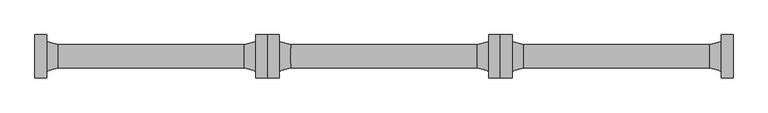
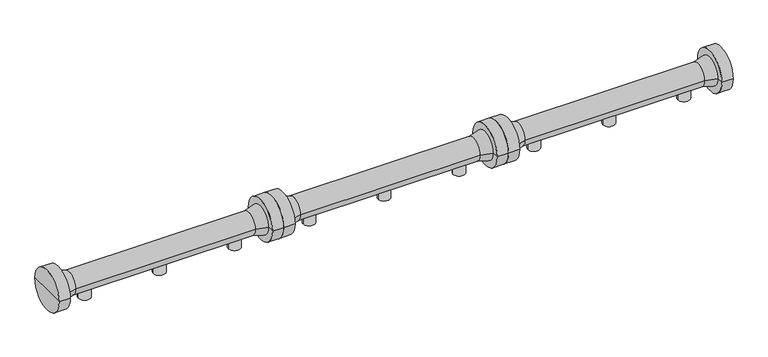
"""IFC4 building model written with IfcOpenShell, lengths in millimetres: proxy geometry."""

from ifc_helpers import new_model, si_unit, frame, origin, place, context, project, spatial, polyline, circle_curve, source, transform, mapped, element, save
from ifc_brep_helpers import plane_surface, cylinder_surface, revolved_surface, advanced_brep


def specialty_equipment_27fcf323(model_context):
    return source(origin(), model_context, "Body", "AdvancedBrep", [
        advanced_brep(
        [(3536.0, 0.0, 0.0), (3456.0, 0.0, 0.0), (3456.0, 0.0, 85.195173), (3536.0, 0.0, 85.195173), (3496.0, 0.0, 0.0), (3496.0, 0.0, 85.195173)],
        [
            (0, 1, circle_curve(frame((3496.0, 0.0, 0.0), z_axis=(0.0, 0.0, 1.0), x_axis=(-1.0, 0.0, 0.0)), 40.0)),
            (1, 2),
            (2, 3, circle_curve(frame((3496.0, 0.0, 85.195173), z_axis=(0.0, 0.0, -1.0), x_axis=(-1.0, 0.0, 0.0)), 40.0)),
            (3, 0),
            (1, 0, circle_curve(frame((3496.0, 0.0, 0.0), z_axis=(0.0, 0.0, 1.0), x_axis=(-1.0, 0.0, 0.0)), 40.0)),
            (3, 2, circle_curve(frame((3496.0, 0.0, 85.195173), z_axis=(0.0, 0.0, -1.0), x_axis=(-1.0, 0.0, 0.0)), 40.0)),
            (4, 1),
            (0, 4),
            (2, 5),
            (5, 3),
        ],
        [
            cylinder_surface(frame((3496.0, 0.0, 1119.4899158), z_axis=(0.0, 0.0, -1.0), x_axis=(-1.0, 0.0, 0.0)), 40.0),
            plane_surface(frame((3496.0, 0.0, 0.0), z_axis=(0.0, 0.0, -1.0), x_axis=(-1.0, 0.0, 0.0))),
            plane_surface(frame((3496.0, 0.0, 85.195173), z_axis=(0.0, 0.0, 1.0), x_axis=(-1.0, 0.0, 0.0))),
        ],
        [
            (0, [[1, 2, 3, 4]]),
            (0, [[5, -4, 6, -2]]),
            (1, [[7, -1, 8]]),
            (1, [[-8, -5, -7]]),
            (2, [[-3, 9, 10]]),
            (2, [[-6, -10, -9]]),
        ],
    ),
        advanced_brep(
        [(4036.0, 0.0, 0.0), (3956.0, 0.0, 0.0), (3956.0, 0.0, 85.195173), (4036.0, 0.0, 85.195173), (3996.0, 0.0, 0.0), (3996.0, 0.0, 85.195173)],
        [
            (0, 1, circle_curve(frame((3996.0, 0.0, 0.0), z_axis=(0.0, 0.0, 1.0), x_axis=(-1.0, 0.0, 0.0)), 40.0)),
            (1, 2),
            (2, 3, circle_curve(frame((3996.0, 0.0, 85.195173), z_axis=(0.0, 0.0, -1.0), x_axis=(-1.0, 0.0, 0.0)), 40.0)),
            (3, 0),
            (1, 0, circle_curve(frame((3996.0, 0.0, 0.0), z_axis=(0.0, 0.0, 1.0), x_axis=(-1.0, 0.0, 0.0)), 40.0)),
            (3, 2, circle_curve(frame((3996.0, 0.0, 85.195173), z_axis=(0.0, 0.0, -1.0), x_axis=(-1.0, 0.0, 0.0)), 40.0)),
            (4, 1),
            (0, 4),
            (2, 5),
            (5, 3),
        ],
        [
            cylinder_surface(frame((3996.0, 0.0, 1119.4899158), z_axis=(0.0, 0.0, -1.0), x_axis=(-1.0, 0.0, 0.0)), 40.0),
            plane_surface(frame((3996.0, 0.0, 0.0), z_axis=(0.0, 0.0, -1.0), x_axis=(-1.0, 0.0, 0.0))),
            plane_surface(frame((3996.0, 0.0, 85.195173), z_axis=(0.0, 0.0, 1.0), x_axis=(-1.0, 0.0, 0.0))),
        ],
        [
            (0, [[1, 2, 3, 4]]),
            (0, [[5, -4, 6, -2]]),
            (1, [[7, -1, 8]]),
            (1, [[-8, -5, -7]]),
            (2, [[-3, 9, 10]]),
            (2, [[-6, -10, -9]]),
        ],
    ),
        advanced_brep(
        [(3036.0, 0.0, 0.0), (2956.0, 0.0, 0.0), (2956.0, 0.0, 85.195173), (3036.0, 0.0, 85.195173), (2996.0, 0.0, 0.0), (2996.0, 0.0, 85.195173)],
        [
            (0, 1, circle_curve(frame((2996.0, 0.0, 0.0), z_axis=(0.0, 0.0, 1.0), x_axis=(-1.0, 0.0, 0.0)), 40.0)),
            (1, 2),
            (2, 3, circle_curve(frame((2996.0, 0.0, 85.195173), z_axis=(0.0, 0.0, -1.0), x_axis=(-1.0, 0.0, 0.0)), 40.0)),
            (3, 0),
            (1, 0, circle_curve(frame((2996.0, 0.0, 0.0), z_axis=(0.0, 0.0, 1.0), x_axis=(-1.0, 0.0, 0.0)), 40.0)),
            (3, 2, circle_curve(frame((2996.0, 0.0, 85.195173), z_axis=(0.0, 0.0, -1.0), x_axis=(-1.0, 0.0, 0.0)), 40.0)),
            (4, 1),
            (0, 4),
            (2, 5),
            (5, 3),
        ],
        [
            cylinder_surface(frame((2996.0, 0.0, 1119.4899158), z_axis=(0.0, 0.0, -1.0), x_axis=(-1.0, 0.0, 0.0)), 40.0),
            plane_surface(frame((2996.0, 0.0, 0.0), z_axis=(0.0, 0.0, -1.0), x_axis=(-1.0, 0.0, 0.0))),
            plane_surface(frame((2996.0, 0.0, 85.195173), z_axis=(0.0, 0.0, 1.0), x_axis=(-1.0, 0.0, 0.0))),
        ],
        [
            (0, [[1, 2, 3, 4]]),
            (0, [[5, -4, 6, -2]]),
            (1, [[7, -1, 8]]),
            (1, [[-8, -5, -7]]),
            (2, [[-3, 9, 10]]),
            (2, [[-6, -10, -9]]),
        ],
    ),
        advanced_brep(
        [(2747.0, 0.0, 131.853238), (2747.0, 139.6593353, 131.853238), (2747.0, -139.6593353, 131.853238), (4245.0, -139.6593353, 131.853238), (4245.0, 139.6593353, 131.853238), (4245.0, 0.0, 131.853238), (4170.0, -139.6593353, 131.853238), (4170.0, 139.6593353, 131.853238), (4170.0, -95.0, 131.853238), (4170.0, 95.0, 131.853238), (4094.8943825, -74.9718353, 131.853238), (4094.8943825, 74.9718353, 131.853238), (2897.1056175, -74.9718353, 131.853238), (2897.1056175, 74.9718353, 131.853238), (2822.0, -95.0, 131.853238), (2822.0, 95.0, 131.853238), (2822.0, -139.6593353, 131.853238), (2822.0, 139.6593353, 131.853238)],
        [
            (0, 1),
            (1, 2, circle_curve(frame((2747.0, 0.0, 131.853238), z_axis=(-1.0, 0.0, 0.0), x_axis=(0.0, 1.0, 0.0)), 139.6593353)),
            (2, 0),
            (2, 1, circle_curve(frame((2747.0, 0.0, 131.853238), z_axis=(-1.0, 0.0, 0.0), x_axis=(0.0, 1.0, 0.0)), 139.6593353)),
            (3, 4, circle_curve(frame((4245.0, 0.0, 131.853238), z_axis=(1.0, 0.0, 0.0), x_axis=(0.0, 1.0, 0.0)), 139.6593353)),
            (4, 5),
            (5, 3),
            (4, 3, circle_curve(frame((4245.0, 0.0, 131.853238), z_axis=(1.0, 0.0, 0.0), x_axis=(0.0, 1.0, 0.0)), 139.6593353)),
            (6, 7, circle_curve(frame((4170.0, 0.0, 131.853238), z_axis=(1.0, 0.0, 0.0), x_axis=(0.0, 1.0, 0.0)), 139.6593353)),
            (7, 4),
            (3, 6),
            (7, 6, circle_curve(frame((4170.0, 0.0, 131.853238), z_axis=(1.0, 0.0, 0.0), x_axis=(0.0, 1.0, 0.0)), 139.6593353)),
            (8, 9, circle_curve(frame((4170.0, 0.0, 131.853238), z_axis=(1.0, 0.0, 0.0), x_axis=(0.0, 1.0, 0.0)), 95.0)),
            (9, 7),
            (6, 8),
            (9, 8, circle_curve(frame((4170.0, 0.0, 131.853238), z_axis=(1.0, 0.0, 0.0), x_axis=(0.0, 1.0, 0.0)), 95.0)),
            (10, 11, circle_curve(frame((4094.8943825, 0.0, 131.853238), z_axis=(1.0, 0.0, 0.0), x_axis=(0.0, 1.0, 0.0)), 74.9718353)),
            (11, 9),
            (8, 10),
            (11, 10, circle_curve(frame((4094.8943825, 0.0, 131.853238), z_axis=(1.0, 0.0, 0.0), x_axis=(0.0, 1.0, 0.0)), 74.9718353)),
            (12, 13, circle_curve(frame((2897.1056175, 0.0, 131.853238), z_axis=(1.0, 0.0, 0.0), x_axis=(0.0, 1.0, 0.0)), 74.9718353)),
            (13, 11),
            (10, 12),
            (13, 12, circle_curve(frame((2897.1056175, 0.0, 131.853238), z_axis=(1.0, 0.0, 0.0), x_axis=(0.0, 1.0, 0.0)), 74.9718353)),
            (14, 15, circle_curve(frame((2822.0, 0.0, 131.853238), z_axis=(1.0, 0.0, 0.0), x_axis=(0.0, 1.0, 0.0)), 95.0)),
            (15, 13),
            (12, 14),
            (15, 14, circle_curve(frame((2822.0, 0.0, 131.853238), z_axis=(1.0, 0.0, 0.0), x_axis=(0.0, 1.0, 0.0)), 95.0)),
            (16, 17, circle_curve(frame((2822.0, 0.0, 131.853238), z_axis=(1.0, 0.0, 0.0), x_axis=(0.0, 1.0, 0.0)), 139.6593353)),
            (17, 15),
            (14, 16),
            (17, 16, circle_curve(frame((2822.0, 0.0, 131.853238), z_axis=(1.0, 0.0, 0.0), x_axis=(0.0, 1.0, 0.0)), 139.6593353)),
            (1, 17),
            (16, 2),
        ],
        [
            plane_surface(frame((2747.0, 0.0, 131.853238), z_axis=(-1.0, 0.0, 0.0), x_axis=(0.0, 1.0, 0.0))),
            plane_surface(frame((4245.0, 0.0, 131.853238), z_axis=(1.0, 0.0, 0.0), x_axis=(0.0, 1.0, 0.0))),
            cylinder_surface(frame((5270.0, 0.0, 131.853238), z_axis=(-1.0, 0.0, 0.0), x_axis=(0.0, 1.0, 0.0)), 139.6593353),
            plane_surface(frame((4170.0, 0.0, 131.853238), z_axis=(-1.0, 0.0, 0.0), x_axis=(0.0, 1.0, 0.0))),
            revolved_surface(polyline([(4170.0, 95.0, 131.853238), (4094.8943825, 74.9718353, 131.853238)]), (5270.0, 0.0, 131.853238), (-1.0, 0.0, 0.0)),
            cylinder_surface(frame((5270.0, 0.0, 131.853238), z_axis=(-1.0, 0.0, 0.0), x_axis=(0.0, 1.0, 0.0)), 74.9718353),
            revolved_surface(polyline([(2897.1056175, 74.9718353, 131.853238), (2822.0, 95.0, 131.853238)]), (5270.0, 0.0, 131.853238), (-1.0, 0.0, 0.0)),
            plane_surface(frame((2822.0, 0.0, 131.853238), z_axis=(1.0, 0.0, 0.0), x_axis=(0.0, 1.0, 0.0))),
        ],
        [
            (0, [[1, 2, 3]]),
            (0, [[-3, 4, -1]]),
            (1, [[5, 6, 7]]),
            (1, [[8, -7, -6]]),
            (2, [[9, 10, -5, 11]]),
            (2, [[12, -11, -8, -10]]),
            (3, [[13, 14, -9, 15]]),
            (3, [[16, -15, -12, -14]]),
            (4, [[17, 18, -13, 19]]),
            (4, [[20, -19, -16, -18]]),
            (5, [[21, 22, -17, 23]]),
            (5, [[24, -23, -20, -22]]),
            (6, [[25, 26, -21, 27]]),
            (6, [[28, -27, -24, -26]]),
            (7, [[29, 30, -25, 31]]),
            (7, [[32, -31, -28, -30]]),
            (2, [[-2, 33, -29, 34]]),
            (2, [[-4, -34, -32, -33]]),
        ],
    ),
        advanced_brep(
        [(2038.0, 0.0, 0.0), (1958.0, 0.0, 0.0), (1958.0, 0.0, 85.195173), (2038.0, 0.0, 85.195173), (1998.0, 0.0, 0.0), (1998.0, 0.0, 85.195173)],
        [
            (0, 1, circle_curve(frame((1998.0, 0.0, 0.0), z_axis=(0.0, 0.0, 1.0), x_axis=(-1.0, 0.0, 0.0)), 40.0)),
            (1, 2),
            (2, 3, circle_curve(frame((1998.0, 0.0, 85.195173), z_axis=(0.0, 0.0, -1.0), x_axis=(-1.0, 0.0, 0.0)), 40.0)),
            (3, 0),
            (1, 0, circle_curve(frame((1998.0, 0.0, 0.0), z_axis=(0.0, 0.0, 1.0), x_axis=(-1.0, 0.0, 0.0)), 40.0)),
            (3, 2, circle_curve(frame((1998.0, 0.0, 85.195173), z_axis=(0.0, 0.0, -1.0), x_axis=(-1.0, 0.0, 0.0)), 40.0)),
            (4, 1),
            (0, 4),
            (2, 5),
            (5, 3),
        ],
        [
            cylinder_surface(frame((1998.0, 0.0, 1119.4899158), z_axis=(0.0, 0.0, -1.0), x_axis=(-1.0, 0.0, 0.0)), 40.0),
            plane_surface(frame((1998.0, 0.0, 0.0), z_axis=(0.0, 0.0, -1.0), x_axis=(-1.0, 0.0, 0.0))),
            plane_surface(frame((1998.0, 0.0, 85.195173), z_axis=(0.0, 0.0, 1.0), x_axis=(-1.0, 0.0, 0.0))),
        ],
        [
            (0, [[1, 2, 3, 4]]),
            (0, [[5, -4, 6, -2]]),
            (1, [[7, -1, 8]]),
            (1, [[-8, -5, -7]]),
            (2, [[-3, 9, 10]]),
            (2, [[-6, -10, -9]]),
        ],
    ),
        advanced_brep(
        [(2538.0, 0.0, 0.0), (2458.0, 0.0, 0.0), (2458.0, 0.0, 85.195173), (2538.0, 0.0, 85.195173), (2498.0, 0.0, 0.0), (2498.0, 0.0, 85.195173)],
        [
            (0, 1, circle_curve(frame((2498.0, 0.0, 0.0), z_axis=(0.0, 0.0, 1.0), x_axis=(-1.0, 0.0, 0.0)), 40.0)),
            (1, 2),
            (2, 3, circle_curve(frame((2498.0, 0.0, 85.195173), z_axis=(0.0, 0.0, -1.0), x_axis=(-1.0, 0.0, 0.0)), 40.0)),
            (3, 0),
            (1, 0, circle_curve(frame((2498.0, 0.0, 0.0), z_axis=(0.0, 0.0, 1.0), x_axis=(-1.0, 0.0, 0.0)), 40.0)),
            (3, 2, circle_curve(frame((2498.0, 0.0, 85.195173), z_axis=(0.0, 0.0, -1.0), x_axis=(-1.0, 0.0, 0.0)), 40.0)),
            (4, 1),
            (0, 4),
            (2, 5),
            (5, 3),
        ],
        [
            cylinder_surface(frame((2498.0, 0.0, 1119.4899158), z_axis=(0.0, 0.0, -1.0), x_axis=(-1.0, 0.0, 0.0)), 40.0),
            plane_surface(frame((2498.0, 0.0, 0.0), z_axis=(0.0, 0.0, -1.0), x_axis=(-1.0, 0.0, 0.0))),
            plane_surface(frame((2498.0, 0.0, 85.195173), z_axis=(0.0, 0.0, 1.0), x_axis=(-1.0, 0.0, 0.0))),
        ],
        [
            (0, [[1, 2, 3, 4]]),
            (0, [[5, -4, 6, -2]]),
            (1, [[7, -1, 8]]),
            (1, [[-8, -5, -7]]),
            (2, [[-3, 9, 10]]),
            (2, [[-6, -10, -9]]),
        ],
    ),
        advanced_brep(
        [(1538.0, 0.0, 0.0), (1458.0, 0.0, 0.0), (1458.0, 0.0, 85.195173), (1538.0, 0.0, 85.195173), (1498.0, 0.0, 0.0), (1498.0, 0.0, 85.195173)],
        [
            (0, 1, circle_curve(frame((1498.0, 0.0, 0.0), z_axis=(0.0, 0.0, 1.0), x_axis=(-1.0, 0.0, 0.0)), 40.0)),
            (1, 2),
            (2, 3, circle_curve(frame((1498.0, 0.0, 85.195173), z_axis=(0.0, 0.0, -1.0), x_axis=(-1.0, 0.0, 0.0)), 40.0)),
            (3, 0),
            (1, 0, circle_curve(frame((1498.0, 0.0, 0.0), z_axis=(0.0, 0.0, 1.0), x_axis=(-1.0, 0.0, 0.0)), 40.0)),
            (3, 2, circle_curve(frame((1498.0, 0.0, 85.195173), z_axis=(0.0, 0.0, -1.0), x_axis=(-1.0, 0.0, 0.0)), 40.0)),
            (4, 1),
            (0, 4),
            (2, 5),
            (5, 3),
        ],
        [
            cylinder_surface(frame((1498.0, 0.0, 1119.4899158), z_axis=(0.0, 0.0, -1.0), x_axis=(-1.0, 0.0, 0.0)), 40.0),
            plane_surface(frame((1498.0, 0.0, 0.0), z_axis=(0.0, 0.0, -1.0), x_axis=(-1.0, 0.0, 0.0))),
            plane_surface(frame((1498.0, 0.0, 85.195173), z_axis=(0.0, 0.0, 1.0), x_axis=(-1.0, 0.0, 0.0))),
        ],
        [
            (0, [[1, 2, 3, 4]]),
            (0, [[5, -4, 6, -2]]),
            (1, [[7, -1, 8]]),
            (1, [[-8, -5, -7]]),
            (2, [[-3, 9, 10]]),
            (2, [[-6, -10, -9]]),
        ],
    ),
        advanced_brep(
        [(1249.0, 0.0, 131.853238), (1249.0, 139.6593353, 131.853238), (1249.0, -139.6593353, 131.853238), (2747.0, -139.6593353, 131.853238), (2747.0, 139.6593353, 131.853238), (2747.0, 0.0, 131.853238), (2672.0, -139.6593353, 131.853238), (2672.0, 139.6593353, 131.853238), (2672.0, -95.0, 131.853238), (2672.0, 95.0, 131.853238), (2596.8943825, -74.9718353, 131.853238), (2596.8943825, 74.9718353, 131.853238), (1399.1056175, -74.9718353, 131.853238), (1399.1056175, 74.9718353, 131.853238), (1324.0, -95.0, 131.853238), (1324.0, 95.0, 131.853238), (1324.0, -139.6593353, 131.853238), (1324.0, 139.6593353, 131.853238)],
        [
            (0, 1),
            (1, 2, circle_curve(frame((1249.0, 0.0, 131.853238), z_axis=(-1.0, 0.0, 0.0), x_axis=(0.0, 1.0, 0.0)), 139.6593353)),
            (2, 0),
            (2, 1, circle_curve(frame((1249.0, 0.0, 131.853238), z_axis=(-1.0, 0.0, 0.0), x_axis=(0.0, 1.0, 0.0)), 139.6593353)),
            (3, 4, circle_curve(frame((2747.0, 0.0, 131.853238), z_axis=(1.0, 0.0, 0.0), x_axis=(0.0, 1.0, 0.0)), 139.6593353)),
            (4, 5),
            (5, 3),
            (4, 3, circle_curve(frame((2747.0, 0.0, 131.853238), z_axis=(1.0, 0.0, 0.0), x_axis=(0.0, 1.0, 0.0)), 139.6593353)),
            (6, 7, circle_curve(frame((2672.0, 0.0, 131.853238), z_axis=(1.0, 0.0, 0.0), x_axis=(0.0, 1.0, 0.0)), 139.6593353)),
            (7, 4),
            (3, 6),
            (7, 6, circle_curve(frame((2672.0, 0.0, 131.853238), z_axis=(1.0, 0.0, 0.0), x_axis=(0.0, 1.0, 0.0)), 139.6593353)),
            (8, 9, circle_curve(frame((2672.0, 0.0, 131.853238), z_axis=(1.0, 0.0, 0.0), x_axis=(0.0, 1.0, 0.0)), 95.0)),
            (9, 7),
            (6, 8),
            (9, 8, circle_curve(frame((2672.0, 0.0, 131.853238), z_axis=(1.0, 0.0, 0.0), x_axis=(0.0, 1.0, 0.0)), 95.0)),
            (10, 11, circle_curve(frame((2596.8943825, 0.0, 131.853238), z_axis=(1.0, 0.0, 0.0), x_axis=(0.0, 1.0, 0.0)), 74.9718353)),
            (11, 9),
            (8, 10),
            (11, 10, circle_curve(frame((2596.8943825, 0.0, 131.853238), z_axis=(1.0, 0.0, 0.0), x_axis=(0.0, 1.0, 0.0)), 74.9718353)),
            (12, 13, circle_curve(frame((1399.1056175, 0.0, 131.853238), z_axis=(1.0, 0.0, 0.0), x_axis=(0.0, 1.0, 0.0)), 74.9718353)),
            (13, 11),
            (10, 12),
            (13, 12, circle_curve(frame((1399.1056175, 0.0, 131.853238), z_axis=(1.0, 0.0, 0.0), x_axis=(0.0, 1.0, 0.0)), 74.9718353)),
            (14, 15, circle_curve(frame((1324.0, 0.0, 131.853238), z_axis=(1.0, 0.0, 0.0), x_axis=(0.0, 1.0, 0.0)), 95.0)),
            (15, 13),
            (12, 14),
            (15, 14, circle_curve(frame((1324.0, 0.0, 131.853238), z_axis=(1.0, 0.0, 0.0), x_axis=(0.0, 1.0, 0.0)), 95.0)),
            (16, 17, circle_curve(frame((1324.0, 0.0, 131.853238), z_axis=(1.0, 0.0, 0.0), x_axis=(0.0, 1.0, 0.0)), 139.6593353)),
            (17, 15),
            (14, 16),
            (17, 16, circle_curve(frame((1324.0, 0.0, 131.853238), z_axis=(1.0, 0.0, 0.0), x_axis=(0.0, 1.0, 0.0)), 139.6593353)),
            (1, 17),
            (16, 2),
        ],
        [
            plane_surface(frame((1249.0, 0.0, 131.853238), z_axis=(-1.0, 0.0, 0.0), x_axis=(0.0, 1.0, 0.0))),
            plane_surface(frame((2747.0, 0.0, 131.853238), z_axis=(1.0, 0.0, 0.0), x_axis=(0.0, 1.0, 0.0))),
            cylinder_surface(frame((3772.0, 0.0, 131.853238), z_axis=(-1.0, 0.0, 0.0), x_axis=(0.0, 1.0, 0.0)), 139.6593353),
            plane_surface(frame((2672.0, 0.0, 131.853238), z_axis=(-1.0, 0.0, 0.0), x_axis=(0.0, 1.0, 0.0))),
            revolved_surface(polyline([(2672.0, 95.0, 131.853238), (2596.8943825, 74.9718353, 131.853238)]), (3772.0, 0.0, 131.853238), (-1.0, 0.0, 0.0)),
            cylinder_surface(frame((3772.0, 0.0, 131.853238), z_axis=(-1.0, 0.0, 0.0), x_axis=(0.0, 1.0, 0.0)), 74.9718353),
            revolved_surface(polyline([(1399.1056175, 74.9718353, 131.853238), (1324.0, 95.0, 131.853238)]), (3772.0, 0.0, 131.853238), (-1.0, 0.0, 0.0)),
            plane_surface(frame((1324.0, 0.0, 131.853238), z_axis=(1.0, 0.0, 0.0), x_axis=(0.0, 1.0, 0.0))),
        ],
        [
            (0, [[1, 2, 3]]),
            (0, [[-3, 4, -1]]),
            (1, [[5, 6, 7]]),
            (1, [[8, -7, -6]]),
            (2, [[9, 10, -5, 11]]),
            (2, [[12, -11, -8, -10]]),
            (3, [[13, 14, -9, 15]]),
            (3, [[16, -15, -12, -14]]),
            (4, [[17, 18, -13, 19]]),
            (4, [[20, -19, -16, -18]]),
            (5, [[21, 22, -17, 23]]),
            (5, [[24, -23, -20, -22]]),
            (6, [[25, 26, -21, 27]]),
            (6, [[28, -27, -24, -26]]),
            (7, [[29, 30, -25, 31]]),
            (7, [[32, -31, -28, -30]]),
            (2, [[-2, 33, -29, 34]]),
            (2, [[-4, -34, -32, -33]]),
        ],
    ),
        advanced_brep(
        [(540.0, 0.0, 0.046762), (460.0, 0.0, 0.046762), (460.0, 0.0, 85.241935), (540.0, 0.0, 85.241935), (500.0, 0.0, 0.046762), (500.0, 0.0, 85.241935)],
        [
            (0, 1, circle_curve(frame((500.0, 0.0, 0.046762), z_axis=(0.0, 0.0, 1.0), x_axis=(-1.0, 0.0, 0.0)), 40.0)),
            (1, 2),
            (2, 3, circle_curve(frame((500.0, 0.0, 85.241935), z_axis=(0.0, 0.0, -1.0), x_axis=(-1.0, 0.0, 0.0)), 40.0)),
            (3, 0),
            (1, 0, circle_curve(frame((500.0, 0.0, 0.046762), z_axis=(0.0, 0.0, 1.0), x_axis=(-1.0, 0.0, 0.0)), 40.0)),
            (3, 2, circle_curve(frame((500.0, 0.0, 85.241935), z_axis=(0.0, 0.0, -1.0), x_axis=(-1.0, 0.0, 0.0)), 40.0)),
            (4, 1),
            (0, 4),
            (2, 5),
            (5, 3),
        ],
        [
            cylinder_surface(frame((500.0, 0.0, 1119.5366778), z_axis=(0.0, 0.0, -1.0), x_axis=(-1.0, 0.0, 0.0)), 40.0),
            plane_surface(frame((500.0, 0.0, 0.046762), z_axis=(0.0, 0.0, -1.0), x_axis=(-1.0, 0.0, 0.0))),
            plane_surface(frame((500.0, 0.0, 85.241935), z_axis=(0.0, 0.0, 1.0), x_axis=(-1.0, 0.0, 0.0))),
        ],
        [
            (0, [[1, 2, 3, 4]]),
            (0, [[5, -4, 6, -2]]),
            (1, [[7, -1, 8]]),
            (1, [[-8, -5, -7]]),
            (2, [[-3, 9, 10]]),
            (2, [[-6, -10, -9]]),
        ],
    ),
        advanced_brep(
        [(1040.0, 0.0, 0.046762), (960.0, 0.0, 0.046762), (960.0, 0.0, 85.241935), (1040.0, 0.0, 85.241935), (1000.0, 0.0, 0.046762), (1000.0, 0.0, 85.241935)],
        [
            (0, 1, circle_curve(frame((1000.0, 0.0, 0.046762), z_axis=(0.0, 0.0, 1.0), x_axis=(-1.0, 0.0, 0.0)), 40.0)),
            (1, 2),
            (2, 3, circle_curve(frame((1000.0, 0.0, 85.241935), z_axis=(0.0, 0.0, -1.0), x_axis=(-1.0, 0.0, 0.0)), 40.0)),
            (3, 0),
            (1, 0, circle_curve(frame((1000.0, 0.0, 0.046762), z_axis=(0.0, 0.0, 1.0), x_axis=(-1.0, 0.0, 0.0)), 40.0)),
            (3, 2, circle_curve(frame((1000.0, 0.0, 85.241935), z_axis=(0.0, 0.0, -1.0), x_axis=(-1.0, 0.0, 0.0)), 40.0)),
            (4, 1),
            (0, 4),
            (2, 5),
            (5, 3),
        ],
        [
            cylinder_surface(frame((1000.0, 0.0, 1119.5366778), z_axis=(0.0, 0.0, -1.0), x_axis=(-1.0, 0.0, 0.0)), 40.0),
            plane_surface(frame((1000.0, 0.0, 0.046762), z_axis=(0.0, 0.0, -1.0), x_axis=(-1.0, 0.0, 0.0))),
            plane_surface(frame((1000.0, 0.0, 85.241935), z_axis=(0.0, 0.0, 1.0), x_axis=(-1.0, 0.0, 0.0))),
        ],
        [
            (0, [[1, 2, 3, 4]]),
            (0, [[5, -4, 6, -2]]),
            (1, [[7, -1, 8]]),
            (1, [[-8, -5, -7]]),
            (2, [[-3, 9, 10]]),
            (2, [[-6, -10, -9]]),
        ],
    ),
        advanced_brep(
        [(40.0, 0.0, 0.046762), (-40.0, 0.0, 0.046762), (-40.0, 0.0, 85.241935), (40.0, 0.0, 85.241935), (0.0, 0.0, 0.046762), (0.0, 0.0, 85.241935)],
        [
            (0, 1, circle_curve(frame((0.0, 0.0, 0.046762), z_axis=(0.0, 0.0, 1.0), x_axis=(-1.0, 0.0, 0.0)), 40.0)),
            (1, 2),
            (2, 3, circle_curve(frame((0.0, 0.0, 85.241935), z_axis=(0.0, 0.0, -1.0), x_axis=(-1.0, 0.0, 0.0)), 40.0)),
            (3, 0),
            (1, 0, circle_curve(frame((0.0, 0.0, 0.046762), z_axis=(0.0, 0.0, 1.0), x_axis=(-1.0, 0.0, 0.0)), 40.0)),
            (3, 2, circle_curve(frame((0.0, 0.0, 85.241935), z_axis=(0.0, 0.0, -1.0), x_axis=(-1.0, 0.0, 0.0)), 40.0)),
            (4, 1),
            (0, 4),
            (2, 5),
            (5, 3),
        ],
        [
            cylinder_surface(frame((0.0, 0.0, 1119.5366778), z_axis=(0.0, 0.0, -1.0), x_axis=(-1.0, 0.0, 0.0)), 40.0),
            plane_surface(frame((0.0, 0.0, 0.046762), z_axis=(0.0, 0.0, -1.0), x_axis=(-1.0, 0.0, 0.0))),
            plane_surface(frame((0.0, 0.0, 85.241935), z_axis=(0.0, 0.0, 1.0), x_axis=(-1.0, 0.0, 0.0))),
        ],
        [
            (0, [[1, 2, 3, 4]]),
            (0, [[5, -4, 6, -2]]),
            (1, [[7, -1, 8]]),
            (1, [[-8, -5, -7]]),
            (2, [[-3, 9, 10]]),
            (2, [[-6, -10, -9]]),
        ],
    ),
        advanced_brep(
        [(-249.0, 0.0, 131.9), (-249.0, 139.6593353, 131.9), (-249.0, -139.6593353, 131.9), (1249.0, -139.6593353, 131.9), (1249.0, 139.6593353, 131.9), (1249.0, 0.0, 131.9), (1174.0, -139.6593353, 131.9), (1174.0, 139.6593353, 131.9), (1174.0, -95.0, 131.9), (1174.0, 95.0, 131.9), (1098.8943825, -74.9718353, 131.9), (1098.8943825, 74.9718353, 131.9), (-98.8943825, -74.9718353, 131.9), (-98.8943825, 74.9718353, 131.9), (-174.0, -95.0, 131.9), (-174.0, 95.0, 131.9), (-174.0, -139.6593353, 131.9), (-174.0, 139.6593353, 131.9)],
        [
            (0, 1),
            (1, 2, circle_curve(frame((-249.0, 0.0, 131.9), z_axis=(-1.0, 0.0, 0.0), x_axis=(0.0, 1.0, 0.0)), 139.6593353)),
            (2, 0),
            (2, 1, circle_curve(frame((-249.0, 0.0, 131.9), z_axis=(-1.0, 0.0, 0.0), x_axis=(0.0, 1.0, 0.0)), 139.6593353)),
            (3, 4, circle_curve(frame((1249.0, 0.0, 131.9), z_axis=(1.0, 0.0, 0.0), x_axis=(0.0, 1.0, 0.0)), 139.6593353)),
            (4, 5),
            (5, 3),
            (4, 3, circle_curve(frame((1249.0, 0.0, 131.9), z_axis=(1.0, 0.0, 0.0), x_axis=(0.0, 1.0, 0.0)), 139.6593353)),
            (6, 7, circle_curve(frame((1174.0, 0.0, 131.9), z_axis=(1.0, 0.0, 0.0), x_axis=(0.0, 1.0, 0.0)), 139.6593353)),
            (7, 4),
            (3, 6),
            (7, 6, circle_curve(frame((1174.0, 0.0, 131.9), z_axis=(1.0, 0.0, 0.0), x_axis=(0.0, 1.0, 0.0)), 139.6593353)),
            (8, 9, circle_curve(frame((1174.0, 0.0, 131.9), z_axis=(1.0, 0.0, 0.0), x_axis=(0.0, 1.0, 0.0)), 95.0)),
            (9, 7),
            (6, 8),
            (9, 8, circle_curve(frame((1174.0, 0.0, 131.9), z_axis=(1.0, 0.0, 0.0), x_axis=(0.0, 1.0, 0.0)), 95.0)),
            (10, 11, circle_curve(frame((1098.8943825, 0.0, 131.9), z_axis=(1.0, 0.0, 0.0), x_axis=(0.0, 1.0, 0.0)), 74.9718353)),
            (11, 9),
            (8, 10),
            (11, 10, circle_curve(frame((1098.8943825, 0.0, 131.9), z_axis=(1.0, 0.0, 0.0), x_axis=(0.0, 1.0, 0.0)), 74.9718353)),
            (12, 13, circle_curve(frame((-98.8943825, 0.0, 131.9), z_axis=(1.0, 0.0, 0.0), x_axis=(0.0, 1.0, 0.0)), 74.9718353)),
            (13, 11),
            (10, 12),
            (13, 12, circle_curve(frame((-98.8943825, 0.0, 131.9), z_axis=(1.0, 0.0, 0.0), x_axis=(0.0, 1.0, 0.0)), 74.9718353)),
            (14, 15, circle_curve(frame((-174.0, 0.0, 131.9), z_axis=(1.0, 0.0, 0.0), x_axis=(0.0, 1.0, 0.0)), 95.0)),
            (15, 13),
            (12, 14),
            (15, 14, circle_curve(frame((-174.0, 0.0, 131.9), z_axis=(1.0, 0.0, 0.0), x_axis=(0.0, 1.0, 0.0)), 95.0)),
            (16, 17, circle_curve(frame((-174.0, 0.0, 131.9), z_axis=(1.0, 0.0, 0.0), x_axis=(0.0, 1.0, 0.0)), 139.6593353)),
            (17, 15),
            (14, 16),
            (17, 16, circle_curve(frame((-174.0, 0.0, 131.9), z_axis=(1.0, 0.0, 0.0), x_axis=(0.0, 1.0, 0.0)), 139.6593353)),
            (1, 17),
            (16, 2),
        ],
        [
            plane_surface(frame((-249.0, 0.0, 131.9), z_axis=(-1.0, 0.0, 0.0), x_axis=(0.0, 1.0, 0.0))),
            plane_surface(frame((1249.0, 0.0, 131.9), z_axis=(1.0, 0.0, 0.0), x_axis=(0.0, 1.0, 0.0))),
            cylinder_surface(frame((2274.0, 0.0, 131.9), z_axis=(-1.0, 0.0, 0.0), x_axis=(0.0, 1.0, 0.0)), 139.6593353),
            plane_surface(frame((1174.0, 0.0, 131.9), z_axis=(-1.0, 0.0, 0.0), x_axis=(0.0, 1.0, 0.0))),
            revolved_surface(polyline([(1174.0, 95.0, 131.9), (1098.8943825, 74.9718353, 131.9)]), (2274.0, 0.0, 131.9), (-1.0, 0.0, 0.0)),
            cylinder_surface(frame((2274.0, 0.0, 131.9), z_axis=(-1.0, 0.0, 0.0), x_axis=(0.0, 1.0, 0.0)), 74.9718353),
            revolved_surface(polyline([(-98.8943825, 74.9718353, 131.9), (-174.0, 95.0, 131.9)]), (2274.0, 0.0, 131.9), (-1.0, 0.0, 0.0)),
            plane_surface(frame((-174.0, 0.0, 131.9), z_axis=(1.0, 0.0, 0.0), x_axis=(0.0, 1.0, 0.0))),
        ],
        [
            (0, [[1, 2, 3]]),
            (0, [[-3, 4, -1]]),
            (1, [[5, 6, 7]]),
            (1, [[8, -7, -6]]),
            (2, [[9, 10, -5, 11]]),
            (2, [[12, -11, -8, -10]]),
            (3, [[13, 14, -9, 15]]),
            (3, [[16, -15, -12, -14]]),
            (4, [[17, 18, -13, 19]]),
            (4, [[20, -19, -16, -18]]),
            (5, [[21, 22, -17, 23]]),
            (5, [[24, -23, -20, -22]]),
            (6, [[25, 26, -21, 27]]),
            (6, [[28, -27, -24, -26]]),
            (7, [[29, 30, -25, 31]]),
            (7, [[32, -31, -28, -30]]),
            (2, [[-2, 33, -29, 34]]),
            (2, [[-4, -34, -32, -33]]),
        ],
    ),
    ])


if __name__ == "__main__":
    model = new_model("IFC4")
    model_context = context("Model", 3, world=origin())
    ifc_project = project(units=[si_unit("LENGTHUNIT", "METRE", prefix="MILLI")], contexts=[model_context])
    site = spatial("IfcSite", under=ifc_project)
    building = spatial("IfcBuilding", under=site)
    placement = place(None, origin())
    specialty_equipment_shape = specialty_equipment_27fcf323(model_context)
    element("IfcBuildingElementProxy", 1, Name="Specialty Equipment", at=placement, inside=building, context=model_context, shape_type="MappedRepresentation", body=[
        mapped(specialty_equipment_shape, transform((0.0, 0.0, 0.0), x_axis=(1.0, 0.0, 0.0), y_axis=(0.0, 1.0, 0.0), z_axis=(0.0, 0.0, 1.0))),
    ])
    save(model, "model.ifc")
